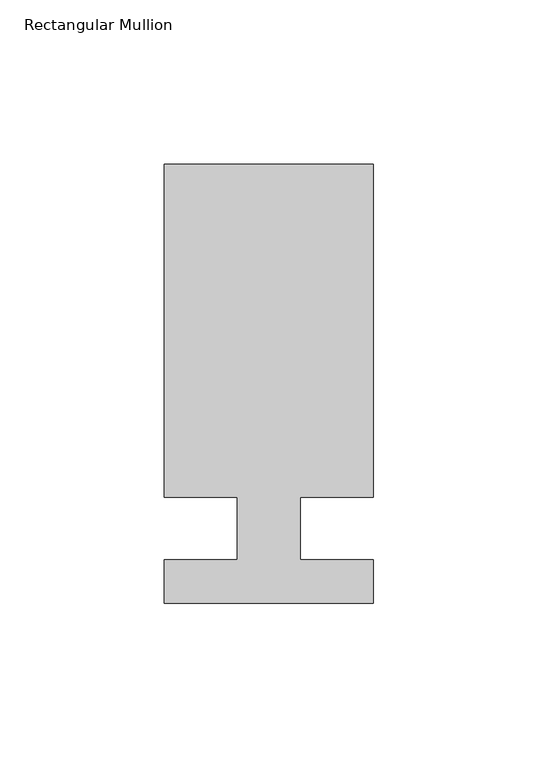
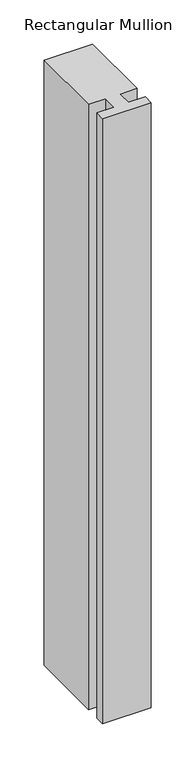
"""IFC4 building model written with IfcOpenShell, lengths in millimetres: member geometry, Rectangular Mullion."""

import ifcopenshell
import ifcopenshell.guid

model = None  # the IFC model being written
_history = None  # IfcOwnerHistory: only IFC2X3 demands one
_inside = {}  # id of a spatial element -> (the spatial element, [elements in it])
_under = {}  # id of a project, library or spatial element -> (it, [spatial elements below it])
_declared = {}  # id of a project -> (the project, [libraries it declares])
_typed = {}  # id of a type object -> (the type object, [elements of that type])
_made_of = {}  # id of a material, layer set ... -> (it, [elements and type objects made of it])


def new_model(schema):
    """Start an empty IFC model of exactly this schema.

    Asked for "IFC4X3", IfcOpenShell would pick the latest addendum, in which some entities
    have other attributes; the version numbers below select the first issue.
    IFC2X3 requires an IfcOwnerHistory on every rooted entity: one is made here for all.
    """
    global model, _history
    if schema == "IFC4X3":
        model = ifcopenshell.file(schema_version=(4, 3, 0, 0))
    else:
        model = ifcopenshell.file(schema=schema)
    _inside.clear()
    _under.clear()
    _declared.clear()
    _typed.clear()
    _made_of.clear()
    _history = None
    if model.schema == "IFC2X3":
        org = make("IfcOrganization", Name="unknown")
        user = make(
            "IfcPersonAndOrganization",
            ThePerson=make("IfcPerson", FamilyName="unknown"),
            TheOrganization=org,
        )
        app = make(
            "IfcApplication",
            ApplicationDeveloper=org,
            Version="unknown",
            ApplicationFullName="unknown",
            ApplicationIdentifier="unknown",
        )
        _history = make(
            "IfcOwnerHistory",
            OwningUser=user,
            OwningApplication=app,
            ChangeAction="ADDED",
            CreationDate=0,
        )
    return model


def make(cls, **values):
    """One entity of the class cls with the attributes given. An attribute that is None is left unset."""
    return model.create_entity(
        cls, **{name: value for name, value in values.items() if value is not None}
    )


def rooted(cls, **values):
    """An entity with a GlobalId (a new one), such as an element, a storey or a relation."""
    return make(cls, GlobalId=ifcopenshell.guid.new(), OwnerHistory=_history, **values)


def si_unit(unit_type, name, prefix=None):
    """IfcSIUnit, for example si_unit("LENGTHUNIT", "METRE", prefix="MILLI")."""
    return make("IfcSIUnit", UnitType=unit_type, Prefix=prefix, Name=name)


def assignment(units):
    """IfcUnitAssignment: the units of a project."""
    return None if units is None else make("IfcUnitAssignment", Units=units)


def point(xyz):
    """IfcCartesianPoint."""
    return None if xyz is None else make("IfcCartesianPoint", Coordinates=xyz)


def direction(xyz):
    """IfcDirection."""
    return None if xyz is None else make("IfcDirection", DirectionRatios=xyz)


def frame(location, z_axis=None, x_axis=None):
    """IfcAxis2Placement3D, a coordinate frame: its origin and axes. An axis left out is left unset."""
    return make(
        "IfcAxis2Placement3D",
        Location=point(location),
        Axis=direction(z_axis),
        RefDirection=direction(x_axis),
    )


def origin():
    """The frame at (0, 0, 0) with its axes left unset."""
    return frame((0.0, 0.0, 0.0))


def place(relative_to, where):
    """IfcLocalPlacement: puts the frame where relative to a parent placement (None: the world)."""
    return make(
        "IfcLocalPlacement", PlacementRelTo=relative_to, RelativePlacement=where
    )


def context(
    kind, dimensions, precision=None, world=None, true_north=None, identifier=None
):
    """IfcGeometricRepresentationContext, for example the 3D "Model" context."""
    return make(
        "IfcGeometricRepresentationContext",
        ContextIdentifier=identifier,
        ContextType=kind,
        CoordinateSpaceDimension=dimensions,
        Precision=precision,
        WorldCoordinateSystem=world,
        TrueNorth=true_north,
    )


def project(units=None, contexts=None):
    """IfcProject with its units and contexts."""
    return rooted(
        "IfcProject",
        Name="project",
        RepresentationContexts=contexts,
        UnitsInContext=assignment(units),
    )


def spatial(cls, under=None, at=None, **own):
    """A site, building, storey or space (cls), placed at a placement, below another one or the project."""
    s = rooted(cls, ObjectPlacement=at, **own)
    if under is not None:
        _under.setdefault(under.id(), (under, []))[1].append(s)
    return s


def polyline(points):
    """IfcPolyline through the points."""
    return make("IfcPolyline", Points=[point(p) for p in points])


def outline(outer, holes=None, kind="AREA"):
    """IfcArbitraryClosedProfileDef: a profile drawn as a closed curve; with holes, ...WithVoids."""
    if holes is None:
        return make("IfcArbitraryClosedProfileDef", ProfileType=kind, OuterCurve=outer)
    return make(
        "IfcArbitraryProfileDefWithVoids",
        ProfileType=kind,
        OuterCurve=outer,
        InnerCurves=holes,
    )


def extrude(swept, where, along, depth):
    """IfcExtrudedAreaSolid: the profile swept, set in the frame where, extruded along a direction by depth."""
    return make(
        "IfcExtrudedAreaSolid",
        SweptArea=swept,
        Position=where,
        ExtrudedDirection=direction(along),
        Depth=depth,
    )


def shape(context_of_items, identifier, shape_type, items):
    """IfcShapeRepresentation: the items that make up one representation, for example the "Body"."""
    return make(
        "IfcShapeRepresentation",
        ContextOfItems=context_of_items,
        RepresentationIdentifier=identifier,
        RepresentationType=shape_type,
        Items=items,
    )


def source(mapping_origin, context_of_items, identifier, shape_type, items):
    """IfcRepresentationMap: a shape defined once, which mapped items show again and again."""
    return make(
        "IfcRepresentationMap",
        MappingOrigin=mapping_origin,
        MappedRepresentation=shape(context_of_items, identifier, shape_type, items),
    )


def transform(
    local_origin,
    x_axis=None,
    y_axis=None,
    z_axis=None,
    scale=None,
    scale2=None,
    scale3=None,
    uniform=True,
):
    """IfcCartesianTransformationOperator3D, or its non-uniform kind. x_axis, y_axis, z_axis: its Axis1, 2, 3."""
    if uniform:
        return make(
            "IfcCartesianTransformationOperator3D",
            Axis1=direction(x_axis),
            Axis2=direction(y_axis),
            LocalOrigin=point(local_origin),
            Scale=scale,
            Axis3=direction(z_axis),
        )
    return make(
        "IfcCartesianTransformationOperator3DnonUniform",
        Axis1=direction(x_axis),
        Axis2=direction(y_axis),
        LocalOrigin=point(local_origin),
        Scale=scale,
        Axis3=direction(z_axis),
        Scale2=scale2,
        Scale3=scale3,
    )


def mapped(mapping_source, mapping_target):
    """IfcMappedItem: shows the shape of a source again, moved by a transform."""
    return make(
        "IfcMappedItem", MappingSource=mapping_source, MappingTarget=mapping_target
    )


def made_of(thing, what):
    """Note that an element or type object is made of a material, layer set ...; save() writes the relation."""
    if what is not None:
        _made_of.setdefault(what.id(), (what, []))[1].append(thing)
    return thing


def element(
    cls,
    number,
    at=None,
    inside=None,
    cuts=None,
    type_object=None,
    material=None,
    context=None,
    identifier="Body",
    shape_type=None,
    held_by="IfcProductDefinitionShape",
    body=None,
    shapes=None,
    **own,
):
    """One element of the class cls, such as IfcWall. Its Tag is "e" and its number.

    at: its placement. inside: the storey or other place that contains it. cuts: it is an
    opening in that element (IfcRelVoidsElement). A single representation is given by context,
    identifier, shape_type and body (its items); several are given by shapes. held_by: the class
    of the entity that holds the representations. save() writes the other relations.
    """
    e = rooted(cls, Tag="e%d" % number, ObjectPlacement=at, **own)
    if body is not None:
        shapes = [shape(context, identifier, shape_type, body)]
    if shapes is not None:
        e.Representation = make(held_by, Representations=shapes)
    if inside is not None:
        _inside.setdefault(inside.id(), (inside, []))[1].append(e)
    if cuts is not None:
        rooted(
            "IfcRelVoidsElement", RelatingBuildingElement=cuts, RelatedOpeningElement=e
        )
    if type_object is not None:
        _typed.setdefault(type_object.id(), (type_object, []))[1].append(e)
    return made_of(e, material)


def aggregate(whole, parts):
    """IfcRelAggregates: a whole, such as a stair, and the parts it consists of."""
    return rooted("IfcRelAggregates", RelatingObject=whole, RelatedObjects=parts)


def save(model, path):
    """Write the relations noted so far, then the file.

    IfcRelAggregates (storeys below a building ...), IfcRelContainedInSpatialStructure (elements
    in a storey), IfcRelDefinesByType, IfcRelAssociatesMaterial and IfcRelDeclares: one each for
    every whole, place, type object, material and project.
    """
    for whole, parts in _under.values():
        aggregate(whole, parts)
    for where, things in _inside.values():
        rooted(
            "IfcRelContainedInSpatialStructure",
            RelatedElements=things,
            RelatingStructure=where,
        )
    for kind, things in _typed.values():
        rooted("IfcRelDefinesByType", RelatedObjects=things, RelatingType=kind)
    for what, things in _made_of.values():
        rooted("IfcRelAssociatesMaterial", RelatedObjects=things, RelatingMaterial=what)
    for by, libraries in _declared.values():
        rooted("IfcRelDeclares", RelatingContext=by, RelatedDefinitions=libraries)
    model.write(path)


def rectangular_mullion_62daf55c(model_context):
    return source(origin(), model_context, "Body", "SweptSolid", [
        extrude(outline(polyline([(31.75, 133.4396937), (31.75, 32.2460937), (9.5207146, 32.2460938), (9.5207146, 13.1960938), (31.75, 13.1960937), (31.75, 0.0134938), (-31.75, 0.0134938), (-31.75, 13.1960938), (-9.5207146, 13.1960937), (-9.5207146, 32.2460938), (-31.75, 32.2460938), (-31.75, 133.4396938), (31.75, 133.4396937)])), frame((0.0, 0.0, -838.2), z_axis=(0.0, 0.0, 1.0), x_axis=(1.0, 0.0, 0.0)), (0.0, 0.0, 1.0), 838.2),
    ])


if __name__ == "__main__":
    model = new_model("IFC4")
    model_context = context("Model", 3, world=origin())
    ifc_project = project(units=[si_unit("LENGTHUNIT", "METRE", prefix="MILLI")], contexts=[model_context])
    site = spatial("IfcSite", under=ifc_project)
    building = spatial("IfcBuilding", under=site)
    placement = place(None, origin())
    rectangular_mullion_shape = rectangular_mullion_62daf55c(model_context)
    element("IfcMember", 1, ObjectType="Rectangular Mullion", at=placement, inside=building, context=model_context, shape_type="MappedRepresentation", body=[
        mapped(rectangular_mullion_shape, transform((0.0, 0.0, 0.0), x_axis=(1.0, 0.0, 0.0), y_axis=(0.0, 1.0, 0.0), z_axis=(0.0, 0.0, 1.0))),
    ])
    save(model, "model.ifc")
